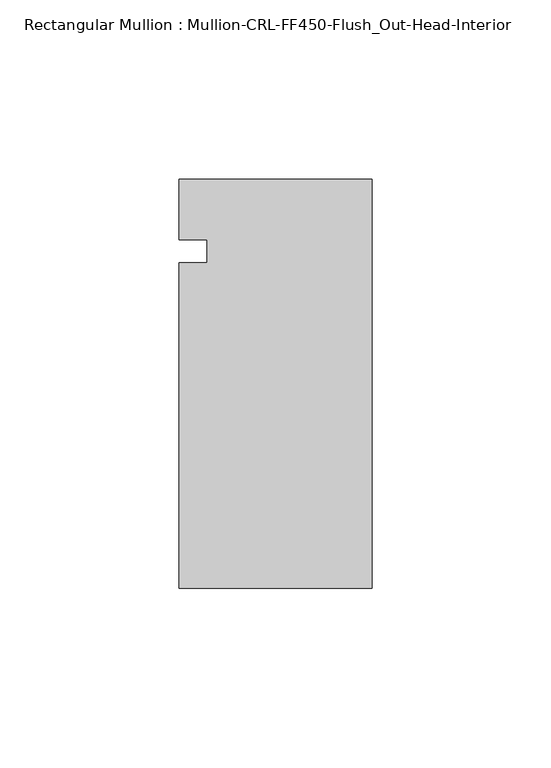
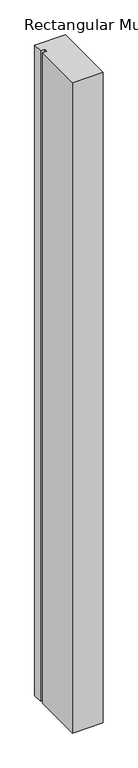
"""IFC4 building model written with IfcOpenShell, lengths in millimetres: member geometry, Rectangular Mullion : Mullion-CRL-FF450-Flush_Out-Head-Interior."""

from ifc_helpers import new_model, si_unit, frame, origin, place, context, project, spatial, polyline, outline, extrude, source, transform, mapped, element, save


def rectangular_mullion_mullion_crl_ff450_flush_out_head_72fd6f31(model_context):
    return source(origin(), model_context, "Body", "SweptSolid", [
        extrude(outline(polyline([(0.0, 20.160815), (0.0, -94.1210236), (-53.9750401, -94.1210236), (-53.9750401, -3.1555912), (-46.0375401, -3.1555912), (-46.0375401, 3.1944088), (-53.9750401, 3.1944088), (-53.9750401, 20.160815), (0.0, 20.160815)])), frame((0.0, 0.0, -1204.3834049), z_axis=(0.0, 0.0, 1.0), x_axis=(1.0, 0.0, 0.0)), (0.0, 0.0, 1.0), 1204.3834049),
    ])


if __name__ == "__main__":
    model = new_model("IFC4")
    model_context = context("Model", 3, world=origin())
    ifc_project = project(units=[si_unit("LENGTHUNIT", "METRE", prefix="MILLI")], contexts=[model_context])
    site = spatial("IfcSite", under=ifc_project)
    building = spatial("IfcBuilding", under=site)
    placement = place(None, origin())
    rectangular_mullion_mullion_crl_ff450_flush_out_head_shape = rectangular_mullion_mullion_crl_ff450_flush_out_head_72fd6f31(model_context)
    element("IfcMember", 1, ObjectType="Rectangular Mullion : Mullion-CRL-FF450-Flush_Out-Head-Interior", at=placement, inside=building, context=model_context, shape_type="MappedRepresentation", body=[
        mapped(rectangular_mullion_mullion_crl_ff450_flush_out_head_shape, transform((0.0, 0.0, 0.0), x_axis=(1.0, 0.0, 0.0), y_axis=(0.0, 1.0, 0.0), z_axis=(0.0, 0.0, 1.0))),
    ])
    save(model, "model.ifc")
